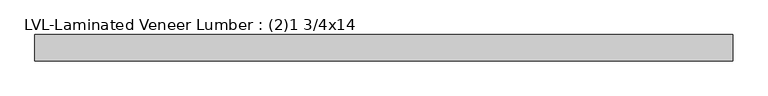
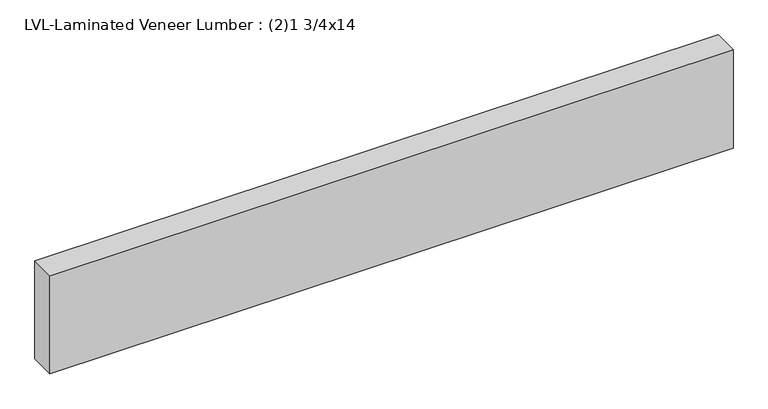
"""IFC4 building model written with IfcOpenShell, lengths in millimetres: beam geometry, LVL-Laminated Veneer Lumber : (2)1 3/4x14."""

from ifc_helpers import new_model, si_unit, frame, origin, place, context, project, spatial, polyline, outline, extrude, source, transform, mapped, element, save


def lvl_laminated_veneer_lumber_2_1_3_4x14_0a671a74(model_context):
    return source(origin(), model_context, "Body", "SweptSolid", [
        extrude(outline(polyline([(1168.4, 44.45), (1168.4, -44.45), (-1168.4, -44.45), (-1168.4, 44.45), (1168.4, 44.45)])), frame((0.0, 0.0, -177.8), z_axis=(0.0, 0.0, 1.0), x_axis=(1.0, 0.0, 0.0)), (0.0, 0.0, 1.0), 355.6),
    ])


if __name__ == "__main__":
    model = new_model("IFC4")
    model_context = context("Model", 3, world=origin())
    ifc_project = project(units=[si_unit("LENGTHUNIT", "METRE", prefix="MILLI")], contexts=[model_context])
    site = spatial("IfcSite", under=ifc_project)
    building = spatial("IfcBuilding", under=site)
    placement = place(None, origin())
    lvl_laminated_veneer_lumber_2_1_3_4x14_shape = lvl_laminated_veneer_lumber_2_1_3_4x14_0a671a74(model_context)
    element("IfcBeam", 1, ObjectType="LVL-Laminated Veneer Lumber : (2)1 3/4x14", at=placement, inside=building, context=model_context, shape_type="MappedRepresentation", body=[
        mapped(lvl_laminated_veneer_lumber_2_1_3_4x14_shape, transform((0.0, 0.0, 0.0), x_axis=(1.0, 0.0, 0.0), y_axis=(0.0, 1.0, 0.0), z_axis=(0.0, 0.0, 1.0))),
    ])
    save(model, "model.ifc")
